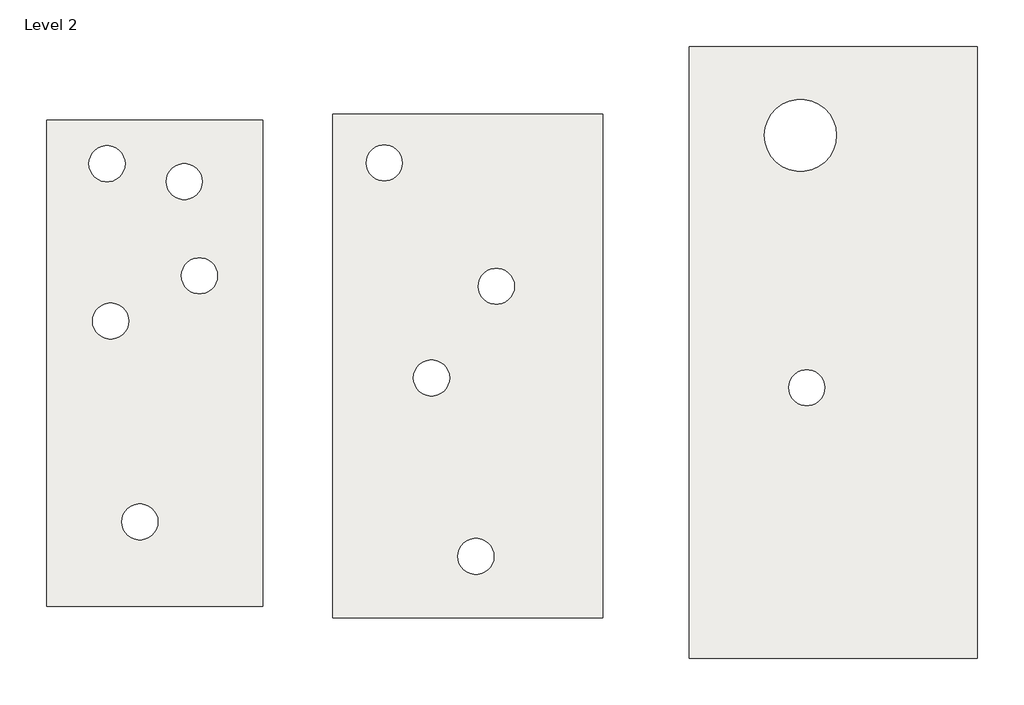
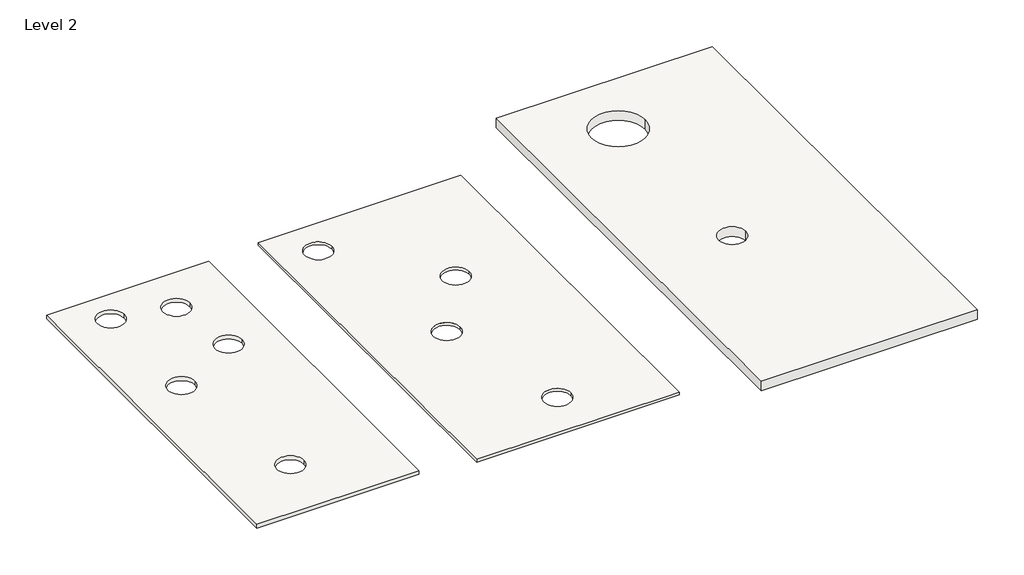
# One storey: 3 roofs.
"""IFC4 building model written with IfcOpenShell, lengths in millimetres."""

import ifcopenshell
import ifcopenshell.guid

model = None  # the IFC model being written
_history = None  # IfcOwnerHistory: only IFC2X3 demands one
_inside = {}  # id of a spatial element -> (the spatial element, [elements in it])
_under = {}  # id of a project, library or spatial element -> (it, [spatial elements below it])
_declared = {}  # id of a project -> (the project, [libraries it declares])
_typed = {}  # id of a type object -> (the type object, [elements of that type])
_made_of = {}  # id of a material, layer set ... -> (it, [elements and type objects made of it])


def new_model(schema):
    """Start an empty IFC model of exactly this schema.

    Asked for "IFC4X3", IfcOpenShell would pick the latest addendum, in which some entities
    have other attributes; the version numbers below select the first issue.
    IFC2X3 requires an IfcOwnerHistory on every rooted entity: one is made here for all.
    """
    global model, _history
    if schema == "IFC4X3":
        model = ifcopenshell.file(schema_version=(4, 3, 0, 0))
    else:
        model = ifcopenshell.file(schema=schema)
    _inside.clear()
    _under.clear()
    _declared.clear()
    _typed.clear()
    _made_of.clear()
    _history = None
    if model.schema == "IFC2X3":
        org = make("IfcOrganization", Name="unknown")
        user = make(
            "IfcPersonAndOrganization",
            ThePerson=make("IfcPerson", FamilyName="unknown"),
            TheOrganization=org,
        )
        app = make(
            "IfcApplication",
            ApplicationDeveloper=org,
            Version="unknown",
            ApplicationFullName="unknown",
            ApplicationIdentifier="unknown",
        )
        _history = make(
            "IfcOwnerHistory",
            OwningUser=user,
            OwningApplication=app,
            ChangeAction="ADDED",
            CreationDate=0,
        )
    return model


def make(cls, **values):
    """One entity of the class cls with the attributes given. An attribute that is None is left unset."""
    return model.create_entity(
        cls, **{name: value for name, value in values.items() if value is not None}
    )


def rooted(cls, **values):
    """An entity with a GlobalId (a new one), such as an element, a storey or a relation."""
    return make(cls, GlobalId=ifcopenshell.guid.new(), OwnerHistory=_history, **values)


def si_unit(unit_type, name, prefix=None):
    """IfcSIUnit, for example si_unit("LENGTHUNIT", "METRE", prefix="MILLI")."""
    return make("IfcSIUnit", UnitType=unit_type, Prefix=prefix, Name=name)


def assignment(units):
    """IfcUnitAssignment: the units of a project."""
    return None if units is None else make("IfcUnitAssignment", Units=units)


def point(xyz):
    """IfcCartesianPoint."""
    return None if xyz is None else make("IfcCartesianPoint", Coordinates=xyz)


def direction(xyz):
    """IfcDirection."""
    return None if xyz is None else make("IfcDirection", DirectionRatios=xyz)


def frame(location, z_axis=None, x_axis=None):
    """IfcAxis2Placement3D, a coordinate frame: its origin and axes. An axis left out is left unset."""
    return make(
        "IfcAxis2Placement3D",
        Location=point(location),
        Axis=direction(z_axis),
        RefDirection=direction(x_axis),
    )


def frame_2d(location, x_axis=None):
    """IfcAxis2Placement2D, a coordinate frame in the plane: its origin and x axis."""
    return make(
        "IfcAxis2Placement2D", Location=point(location), RefDirection=direction(x_axis)
    )


def origin():
    """The frame at (0, 0, 0) with its axes left unset."""
    return frame((0.0, 0.0, 0.0))


def place(relative_to, where):
    """IfcLocalPlacement: puts the frame where relative to a parent placement (None: the world)."""
    return make(
        "IfcLocalPlacement", PlacementRelTo=relative_to, RelativePlacement=where
    )


def context(
    kind, dimensions, precision=None, world=None, true_north=None, identifier=None
):
    """IfcGeometricRepresentationContext, for example the 3D "Model" context."""
    return make(
        "IfcGeometricRepresentationContext",
        ContextIdentifier=identifier,
        ContextType=kind,
        CoordinateSpaceDimension=dimensions,
        Precision=precision,
        WorldCoordinateSystem=world,
        TrueNorth=true_north,
    )


def project(units=None, contexts=None):
    """IfcProject with its units and contexts."""
    return rooted(
        "IfcProject",
        Name="project",
        RepresentationContexts=contexts,
        UnitsInContext=assignment(units),
    )


def spatial(cls, under=None, at=None, **own):
    """A site, building, storey or space (cls), placed at a placement, below another one or the project."""
    s = rooted(cls, ObjectPlacement=at, **own)
    if under is not None:
        _under.setdefault(under.id(), (under, []))[1].append(s)
    return s


def polyline(points):
    """IfcPolyline through the points."""
    return make("IfcPolyline", Points=[point(p) for p in points])


def circle_curve(where, radius):
    """IfcCircle in the frame where."""
    return make("IfcCircle", Position=where, Radius=radius)


def trimmed(basis, trim1, trim2, sense, master):
    """IfcTrimmedCurve: the piece of a basis curve between two trims."""
    return make(
        "IfcTrimmedCurve",
        BasisCurve=basis,
        Trim1=trim1,
        Trim2=trim2,
        SenseAgreement=sense,
        MasterRepresentation=master,
    )


def segment(curve, same_sense, transition):
    """IfcCompositeCurveSegment."""
    return make(
        "IfcCompositeCurveSegment",
        Transition=transition,
        SameSense=same_sense,
        ParentCurve=curve,
    )


def composite_curve(segments, self_intersect=None):
    """IfcCompositeCurve: segments joined end to end."""
    return make("IfcCompositeCurve", Segments=segments, SelfIntersect=self_intersect)


def outline(outer, holes=None, kind="AREA"):
    """IfcArbitraryClosedProfileDef: a profile drawn as a closed curve; with holes, ...WithVoids."""
    if holes is None:
        return make("IfcArbitraryClosedProfileDef", ProfileType=kind, OuterCurve=outer)
    return make(
        "IfcArbitraryProfileDefWithVoids",
        ProfileType=kind,
        OuterCurve=outer,
        InnerCurves=holes,
    )


def extrude(swept, where, along, depth):
    """IfcExtrudedAreaSolid: the profile swept, set in the frame where, extruded along a direction by depth."""
    return make(
        "IfcExtrudedAreaSolid",
        SweptArea=swept,
        Position=where,
        ExtrudedDirection=direction(along),
        Depth=depth,
    )


def shape(context_of_items, identifier, shape_type, items):
    """IfcShapeRepresentation: the items that make up one representation, for example the "Body"."""
    return make(
        "IfcShapeRepresentation",
        ContextOfItems=context_of_items,
        RepresentationIdentifier=identifier,
        RepresentationType=shape_type,
        Items=items,
    )


def made_of(thing, what):
    """Note that an element or type object is made of a material, layer set ...; save() writes the relation."""
    if what is not None:
        _made_of.setdefault(what.id(), (what, []))[1].append(thing)
    return thing


def element(
    cls,
    number,
    at=None,
    inside=None,
    cuts=None,
    type_object=None,
    material=None,
    context=None,
    identifier="Body",
    shape_type=None,
    held_by="IfcProductDefinitionShape",
    body=None,
    shapes=None,
    **own,
):
    """One element of the class cls, such as IfcWall. Its Tag is "e" and its number.

    at: its placement. inside: the storey or other place that contains it. cuts: it is an
    opening in that element (IfcRelVoidsElement). A single representation is given by context,
    identifier, shape_type and body (its items); several are given by shapes. held_by: the class
    of the entity that holds the representations. save() writes the other relations.
    """
    e = rooted(cls, Tag="e%d" % number, ObjectPlacement=at, **own)
    if body is not None:
        shapes = [shape(context, identifier, shape_type, body)]
    if shapes is not None:
        e.Representation = make(held_by, Representations=shapes)
    if inside is not None:
        _inside.setdefault(inside.id(), (inside, []))[1].append(e)
    if cuts is not None:
        rooted(
            "IfcRelVoidsElement", RelatingBuildingElement=cuts, RelatedOpeningElement=e
        )
    if type_object is not None:
        _typed.setdefault(type_object.id(), (type_object, []))[1].append(e)
    return made_of(e, material)


def aggregate(whole, parts):
    """IfcRelAggregates: a whole, such as a stair, and the parts it consists of."""
    return rooted("IfcRelAggregates", RelatingObject=whole, RelatedObjects=parts)


def save(model, path):
    """Write the relations noted so far, then the file.

    IfcRelAggregates (storeys below a building ...), IfcRelContainedInSpatialStructure (elements
    in a storey), IfcRelDefinesByType, IfcRelAssociatesMaterial and IfcRelDeclares: one each for
    every whole, place, type object, material and project.
    """
    for whole, parts in _under.values():
        aggregate(whole, parts)
    for where, things in _inside.values():
        rooted(
            "IfcRelContainedInSpatialStructure",
            RelatedElements=things,
            RelatingStructure=where,
        )
    for kind, things in _typed.values():
        rooted("IfcRelDefinesByType", RelatedObjects=things, RelatingType=kind)
    for what, things in _made_of.values():
        rooted("IfcRelAssociatesMaterial", RelatedObjects=things, RelatingMaterial=what)
    for by, libraries in _declared.values():
        rooted("IfcRelDeclares", RelatingContext=by, RelatedDefinitions=libraries)
    model.write(path)


model = new_model("IFC4")

# Units and contexts
model_context = context("Model", 3, world=origin())
ifc_project = project(units=[si_unit("LENGTHUNIT", "METRE", prefix="MILLI")], contexts=[model_context])

# Site, building, storey
site = spatial("IfcSite", under=ifc_project)
building = spatial("IfcBuilding", under=site)
storey = spatial("IfcBuildingStorey", under=building, Name="Level 2", Elevation=4000.0)

# Roofs
placement = place(None, origin())
element("IfcRoof", 1, ObjectType="Generic Roof - 300mm", at=placement, inside=storey, context=model_context, shape_type="SweptSolid", body=[
    extrude(outline(polyline([(-17992.0707844, 9330.8119081), (-5992.0707844, 9330.8119081), (-5992.0707844, -17669.1880919), (-17992.0707844, -17669.1880919), (-17992.0707844, 9330.8119081)]), holes=[composite_curve([segment(trimmed(circle_curve(frame_2d((-14635.1717748, 6911.8699748)), 1000.0), [point((-13635.1717748, 6911.8699748))], [point((-15635.1717748, 6911.8699748))], True, "CARTESIAN"), True, "CONTINUOUS"), segment(trimmed(circle_curve(frame_2d((-14635.1717748, 6911.8699748)), 1000.0), [point((-15635.1717748, 6911.8699748))], [point((-13635.1717748, 6911.8699748))], True, "CARTESIAN"), True, "CONTINUOUS")], self_intersect=False), composite_curve([segment(trimmed(circle_curve(frame_2d((-10340.315689, 5924.5467366)), 1000.0), [point((-9340.315689, 5924.5467366))], [point((-11340.315689, 5924.5467366))], True, "CARTESIAN"), True, "CONTINUOUS"), segment(trimmed(circle_curve(frame_2d((-10340.315689, 5924.5467366)), 1000.0), [point((-11340.315689, 5924.5467366))], [point((-9340.315689, 5924.5467366))], True, "CARTESIAN"), True, "CONTINUOUS")], self_intersect=False), composite_curve([segment(trimmed(circle_curve(frame_2d((-14437.7071272, -1825.9406825)), 1000.0), [point((-13437.7071272, -1825.9406825))], [point((-15437.7071272, -1825.9406825))], True, "CARTESIAN"), True, "CONTINUOUS"), segment(trimmed(circle_curve(frame_2d((-14437.7071272, -1825.9406825)), 1000.0), [point((-15437.7071272, -1825.9406825))], [point((-13437.7071272, -1825.9406825))], True, "CARTESIAN"), True, "CONTINUOUS")], self_intersect=False), composite_curve([segment(trimmed(circle_curve(frame_2d((-9501.0909366, 691.7335747)), 1000.0), [point((-8501.0909366, 691.7335747))], [point((-10501.0909366, 691.7335747))], True, "CARTESIAN"), True, "CONTINUOUS"), segment(trimmed(circle_curve(frame_2d((-9501.0909366, 691.7335747)), 1000.0), [point((-10501.0909366, 691.7335747))], [point((-8501.0909366, 691.7335747))], True, "CARTESIAN"), True, "CONTINUOUS")], self_intersect=False), composite_curve([segment(trimmed(circle_curve(frame_2d((-12808.6237843, -12982.6932732)), 1000.0), [point((-11808.6237843, -12982.6932732))], [point((-13808.6237843, -12982.6932732))], True, "CARTESIAN"), True, "CONTINUOUS"), segment(trimmed(circle_curve(frame_2d((-12808.6237843, -12982.6932732)), 1000.0), [point((-13808.6237843, -12982.6932732))], [point((-11808.6237843, -12982.6932732))], True, "CARTESIAN"), True, "CONTINUOUS")], self_intersect=False)]), frame((0.0, 0.0, 4000.0), z_axis=(0.0, 0.0, 1.0), x_axis=(1.0, 0.0, 0.0)), (0.0, 0.0, 1.0), 300.0),
])
element("IfcRoof", 2, ObjectType="Generic Roof - 750mm", at=placement, inside=storey, context=model_context, shape_type="SweptSolid", body=[
    extrude(outline(polyline([(17699.6642733, 13428.2033463), (33699.6642733, 13428.2033463), (33699.6642733, -20571.7966537), (17699.6642733, -20571.7966537), (17699.6642733, 13428.2033463)]), holes=[composite_curve([segment(trimmed(circle_curve(frame_2d((23870.4345115, 8491.5871557)), 2000.0), [point((25870.4345115, 8491.5871557))], [point((21870.4345115, 8491.5871557))], True, "CARTESIAN"), True, "CONTINUOUS"), segment(trimmed(circle_curve(frame_2d((23870.4345115, 8491.5871557)), 2000.0), [point((21870.4345115, 8491.5871557))], [point((25870.4345115, 8491.5871557))], True, "CARTESIAN"), True, "CONTINUOUS")], self_intersect=False), composite_curve([segment(trimmed(circle_curve(frame_2d((24215.9976449, -5528.4028254)), 1000.0), [point((25215.9976449, -5528.4028254))], [point((23215.9976449, -5528.4028254))], True, "CARTESIAN"), True, "CONTINUOUS"), segment(trimmed(circle_curve(frame_2d((24215.9976449, -5528.4028254)), 1000.0), [point((23215.9976449, -5528.4028254))], [point((25215.9976449, -5528.4028254))], True, "CARTESIAN"), True, "CONTINUOUS")], self_intersect=False)]), frame((0.0, 0.0, 4000.0), z_axis=(0.0, 0.0, 1.0), x_axis=(1.0, 0.0, 0.0)), (0.0, 0.0, 1.0), 750.0),
])
element("IfcRoof", 3, ObjectType="Wood Rafter 184mm - Asphalt Shingles", at=placement, inside=storey, context=model_context, shape_type="SweptSolid", body=[
    extrude(outline(polyline([(-2096.1666508, 9676.3750415), (12903.8333492, 9676.3750415), (12903.8333492, -18323.6249585), (-2096.1666508, -18323.6249585), (-2096.1666508, 9676.3750415)]), holes=[composite_curve([segment(trimmed(circle_curve(frame_2d((767.0707397, 6961.2361367)), 1000.0), [point((1767.0707397, 6961.2361367))], [point((-232.9292603, 6961.2361367))], True, "CARTESIAN"), True, "CONTINUOUS"), segment(trimmed(circle_curve(frame_2d((767.0707397, 6961.2361367)), 1000.0), [point((-232.9292603, 6961.2361367))], [point((1767.0707397, 6961.2361367))], True, "CARTESIAN"), True, "CONTINUOUS")], self_intersect=False), composite_curve([segment(trimmed(circle_curve(frame_2d((3383.4773207, -4985.3750445)), 1000.0), [point((4383.4773207, -4985.3750445))], [point((2383.4773207, -4985.3750445))], True, "CARTESIAN"), True, "CONTINUOUS"), segment(trimmed(circle_curve(frame_2d((3383.4773207, -4985.3750445)), 1000.0), [point((2383.4773207, -4985.3750445))], [point((4383.4773207, -4985.3750445))], True, "CARTESIAN"), True, "CONTINUOUS")], self_intersect=False), composite_curve([segment(trimmed(circle_curve(frame_2d((6987.2071398, 99.3396318)), 1000.0), [point((7987.2071398, 99.3396318))], [point((5987.2071398, 99.3396318))], True, "CARTESIAN"), True, "CONTINUOUS"), segment(trimmed(circle_curve(frame_2d((6987.2071398, 99.3396318)), 1000.0), [point((5987.2071398, 99.3396318))], [point((7987.2071398, 99.3396318))], True, "CARTESIAN"), True, "CONTINUOUS")], self_intersect=False), composite_curve([segment(trimmed(circle_curve(frame_2d((5851.785416, -14907.9735875)), 1000.0), [point((6851.785416, -14907.9735875))], [point((4851.785416, -14907.9735875))], True, "CARTESIAN"), True, "CONTINUOUS"), segment(trimmed(circle_curve(frame_2d((5851.785416, -14907.9735875)), 1000.0), [point((4851.785416, -14907.9735875))], [point((6851.785416, -14907.9735875))], True, "CARTESIAN"), True, "CONTINUOUS")], self_intersect=False)]), frame((0.0, 0.0, 4000.0), z_axis=(0.0, 0.0, 1.0), x_axis=(1.0, 0.0, 0.0)), (0.0, 0.0, 1.0), 209.0),
])

save(model, "model.ifc")
